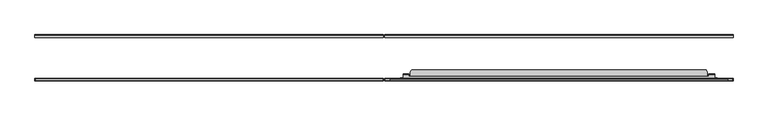
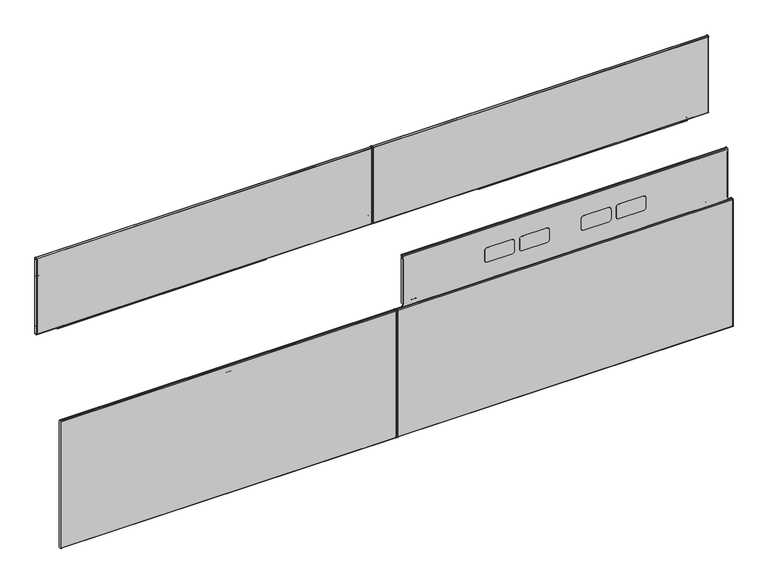
"""IFC4 building model written with IfcOpenShell, lengths in millimetres: furniture geometry."""

from ifc_helpers import new_model, si_unit, point, frame, frame_2d, origin, place, context, project, spatial, polyline, circle_curve, trimmed, segment, composite_curve, outline, extrude, source, transform, mapped, element, save
from ifc_brep_helpers import plane_surface, cylinder_surface, revolved_surface, advanced_brep


def furniture_ba3ade74(model_context):
    return source(origin(), model_context, "Body", "SolidModel", [
        extrude(outline(composite_curve([segment(polyline([(734.9612073, 1603.218702), (734.9612073, 2359.2539044), (745.1433918, 2359.2539044)]), True, "CONTINUOUS"), segment(trimmed(circle_curve(frame_2d((745.1433918, 2357.4360946)), 1.8178098), [point((745.1433918, 2359.2539044))], [point((746.9612016, 2357.4360946))], False, "CARTESIAN"), True, "CONTINUOUS"), segment(polyline([(746.9612016, 2357.4360946), (746.9612016, 1604.6508917)]), True, "CONTINUOUS"), segment(trimmed(circle_curve(frame_2d((745.5290119, 1604.6508917)), 1.4321897), [point((746.9612016, 1604.6508917))], [point((745.5290119, 1603.218702))], False, "CARTESIAN"), True, "CONTINUOUS"), segment(polyline([(745.5290119, 1603.218702), (734.9612073, 1603.218702)]), True, "CONTINUOUS")], self_intersect=False)), frame((0.0, -58.6781407, 0.0), z_axis=(0.0, 1.0, 0.0), x_axis=(0.0, 0.0, 1.0)), (0.0, 0.0, 1.0), 7.3431383),
        extrude(outline(composite_curve([segment(polyline([(825.6287108, 1232.2859018), (960.2347544, 1232.2859018)]), True, "CONTINUOUS"), segment(trimmed(circle_curve(frame_2d((960.2347544, 1230.0594545)), 2.2264474), [point((960.2347544, 1232.2859018))], [point((962.4612018, 1230.0594545))], False, "CARTESIAN"), True, "CONTINUOUS"), segment(polyline([(962.4612018, 1230.0594545), (962.4612018, 1221.2000233), (769.9612512, 1221.2000233), (769.9612512, 1230.5819869)]), True, "CONTINUOUS"), segment(trimmed(circle_curve(frame_2d((771.6651662, 1230.5819869)), 1.703915), [point((769.9612512, 1230.5819869))], [point((771.6651662, 1232.2859018))], False, "CARTESIAN"), True, "CONTINUOUS"), segment(polyline([(771.6651662, 1232.2859018), (775.0827409, 1232.2859018), (775.0827409, 1226.6968534), (825.6287108, 1226.6968534), (825.6287108, 1232.2859018)]), True, "CONTINUOUS")], self_intersect=False)), frame((0.0, -58.6781407, 0.0), z_axis=(0.0, 1.0, 0.0), x_axis=(0.0, 0.0, 1.0)), (0.0, 0.0, 1.0), 7.3431383),
        extrude(outline(composite_curve([segment(polyline([(825.6287108, 2425.3878843), (825.6287108, 2430.9768844), (775.0827409, 2430.976885), (775.0827409, 2425.3878843), (771.3508741, 2425.3878843)]), True, "CONTINUOUS"), segment(trimmed(circle_curve(frame_2d((771.3508741, 2426.7775072)), 1.3896229), [point((771.3508741, 2425.3878843))], [point((769.9612512, 2426.7775072))], False, "CARTESIAN"), True, "CONTINUOUS"), segment(polyline([(769.9612512, 2426.7775072), (769.9612512, 2436.4000044), (962.4612018, 2436.4000044), (962.4612018, 2426.9471973)]), True, "CONTINUOUS"), segment(trimmed(circle_curve(frame_2d((960.9018888, 2426.9471973)), 1.559313), [point((962.4612018, 2426.9471973))], [point((960.9018888, 2425.3878843))], False, "CARTESIAN"), True, "CONTINUOUS"), segment(polyline([(960.9018888, 2425.3878843), (825.6287108, 2425.3878843)]), True, "CONTINUOUS")], self_intersect=False)), frame((0.0, -58.6781407, 0.0), z_axis=(0.0, 1.0, 0.0), x_axis=(0.0, 0.0, 1.0)), (0.0, 0.0, 1.0), 7.3431383),
        extrude(outline(polyline([(1221.2000233, -51.3350025), (2436.4000044, -51.3350025), (2436.4000044, -60.8600025), (1221.2000233, -60.8600025), (1221.2000233, -51.3350025)])), frame((0.0, 0.0, 740.3599691), z_axis=(0.0, 0.0, 1.0), x_axis=(1.0, 0.0, 0.0)), (0.0, 0.0, 1.0), 0.9118629),
        extrude(outline(composite_curve([segment(trimmed(circle_curve(frame_2d((-53.4811786, 1029.2138314)), 1.2343177), [point((-52.2468609, 1029.2138314))], [point((-53.4811786, 1030.4481491))], True, "CARTESIAN"), True, "CONTINUOUS"), segment(polyline([(-53.4811786, 1030.4481491), (-60.8600025, 1030.4481491), (-60.8600025, 1031.3600121), (-53.3140334, 1031.3600121)]), True, "CONTINUOUS"), segment(trimmed(circle_curve(frame_2d((-53.3140334, 1029.3809811)), 1.9790309), [point((-53.3140334, 1031.3600121))], [point((-51.3350025, 1029.3809811))], False, "CARTESIAN"), True, "CONTINUOUS"), segment(polyline([(-51.3350025, 1029.3809811), (-51.3350025, 1023.3599916), (-52.2468609, 1023.3599916), (-52.2468609, 1029.2138314)]), True, "CONTINUOUS")], self_intersect=False)), frame((1221.2000233, 0.0, 0.0), z_axis=(1.0, 0.0, 0.0), x_axis=(0.0, 1.0, 0.0)), (0.0, 0.0, 1.0), 1215.1999811),
        extrude(outline(composite_curve([segment(polyline([(2436.4000044, -51.3350025), (2436.4000044, -58.637242)]), True, "CONTINUOUS"), segment(trimmed(circle_curve(frame_2d((2434.1772439, -58.637242)), 2.2227605), [point((2436.4000044, -58.637242))], [point((2434.1772439, -60.8600025))], False, "CARTESIAN"), True, "CONTINUOUS"), segment(polyline([(2434.1772439, -60.8600025), (1223.7400233, -60.8600025)]), True, "CONTINUOUS"), segment(trimmed(circle_curve(frame_2d((1223.7400233, -58.3200025)), 2.54), [point((1223.7400233, -60.8600025))], [point((1221.2000233, -58.3200025))], False, "CARTESIAN"), True, "CONTINUOUS"), segment(polyline([(1221.2000233, -58.3200025), (1221.2000233, -51.3350025), (1222.127504, -51.3350025), (1222.127504, -58.5359447)]), True, "CONTINUOUS"), segment(trimmed(circle_curve(frame_2d((1223.5396987, -58.5359447)), 1.4121948), [point((1222.127504, -58.5359447))], [point((1223.5396987, -59.9481395))], True, "CARTESIAN"), True, "CONTINUOUS"), segment(polyline([(1223.5396987, -59.9481395), (2434.3706627, -59.9481395)]), True, "CONTINUOUS"), segment(trimmed(circle_curve(frame_2d((2434.3706627, -58.8306579)), 1.1174816), [point((2434.3706627, -59.9481395))], [point((2435.4881443, -58.8306579))], True, "CARTESIAN"), True, "CONTINUOUS"), segment(polyline([(2435.4881443, -58.8306579), (2435.4881443, -51.3350025), (2436.4000044, -51.3350025)]), True, "CONTINUOUS")], self_intersect=False)), frame((0.0, 0.0, 740.3599691), z_axis=(0.0, 0.0, 1.0), x_axis=(1.0, 0.0, 0.0)), (0.0, 0.0, 1.0), 291.0000429),
        extrude(outline(composite_curve([segment(polyline([(734.9612073, 835.181298), (745.5290119, 835.181298)]), True, "CONTINUOUS"), segment(trimmed(circle_curve(frame_2d((745.5290119, 833.7491083)), 1.4321897), [point((745.5290119, 835.181298))], [point((746.9612016, 833.7491083))], False, "CARTESIAN"), True, "CONTINUOUS"), segment(polyline([(746.9612016, 833.7491083), (746.9612016, 80.9639054)]), True, "CONTINUOUS"), segment(trimmed(circle_curve(frame_2d((745.1433918, 80.9639054)), 1.8178098), [point((746.9612016, 80.9639054))], [point((745.1433918, 79.1460956))], False, "CARTESIAN"), True, "CONTINUOUS"), segment(polyline([(745.1433918, 79.1460956), (734.9612073, 79.1460956), (734.9612073, 835.181298)]), True, "CONTINUOUS")], self_intersect=False)), frame((0.0, -58.6781407, 0.0), z_axis=(0.0, 1.0, 0.0), x_axis=(0.0, 0.0, 1.0)), (0.0, 0.0, 1.0), 7.3431383),
        extrude(outline(composite_curve([segment(polyline([(825.6287108, 1206.1140982), (825.6287108, 1211.7031466), (775.0827409, 1211.7031466), (775.0827409, 1206.1140982), (771.6651662, 1206.1140982)]), True, "CONTINUOUS"), segment(trimmed(circle_curve(frame_2d((771.6651662, 1207.8180131)), 1.703915), [point((771.6651662, 1206.1140982))], [point((769.9612512, 1207.8180131))], False, "CARTESIAN"), True, "CONTINUOUS"), segment(polyline([(769.9612512, 1207.8180131), (769.9612512, 1217.1999767), (962.4612018, 1217.1999767), (962.4612018, 1208.3405455)]), True, "CONTINUOUS"), segment(trimmed(circle_curve(frame_2d((960.2347544, 1208.3405455)), 2.2264474), [point((962.4612018, 1208.3405455))], [point((960.2347544, 1206.1140982))], False, "CARTESIAN"), True, "CONTINUOUS"), segment(polyline([(960.2347544, 1206.1140982), (825.6287108, 1206.1140982)]), True, "CONTINUOUS")], self_intersect=False)), frame((0.0, -58.6781407, 0.0), z_axis=(0.0, 1.0, 0.0), x_axis=(0.0, 0.0, 1.0)), (0.0, 0.0, 1.0), 7.3431383),
        extrude(outline(composite_curve([segment(polyline([(825.6287108, 13.0121157), (960.9018888, 13.0121157)]), True, "CONTINUOUS"), segment(trimmed(circle_curve(frame_2d((960.9018888, 11.4528027)), 1.559313), [point((960.9018888, 13.0121157))], [point((962.4612018, 11.4528027))], False, "CARTESIAN"), True, "CONTINUOUS"), segment(polyline([(962.4612018, 11.4528027), (962.4612018, 1.9999956), (769.9612512, 1.9999956), (769.9612512, 11.6224928)]), True, "CONTINUOUS"), segment(trimmed(circle_curve(frame_2d((771.3508741, 11.6224928)), 1.3896229), [point((769.9612512, 11.6224928))], [point((771.3508741, 13.0121157))], False, "CARTESIAN"), True, "CONTINUOUS"), segment(polyline([(771.3508741, 13.0121157), (775.0827409, 13.0121157), (775.0827409, 7.423115), (825.6287108, 7.4231156), (825.6287108, 13.0121157)]), True, "CONTINUOUS")], self_intersect=False)), frame((0.0, -58.6781407, 0.0), z_axis=(0.0, 1.0, 0.0), x_axis=(0.0, 0.0, 1.0)), (0.0, 0.0, 1.0), 7.3431383),
        extrude(outline(polyline([(1217.1999767, -51.3350025), (1217.1999767, -60.8600025), (1.9999956, -60.8600025), (1.9999956, -51.3350025), (1217.1999767, -51.3350025)])), frame((0.0, 0.0, 740.3599691), z_axis=(0.0, 0.0, 1.0), x_axis=(1.0, 0.0, 0.0)), (0.0, 0.0, 1.0), 0.9118629),
        extrude(outline(composite_curve([segment(trimmed(circle_curve(frame_2d((-53.4811786, 1029.2138314)), 1.2343177), [point((-52.2468609, 1029.2138314))], [point((-53.4811786, 1030.4481491))], True, "CARTESIAN"), True, "CONTINUOUS"), segment(polyline([(-53.4811786, 1030.4481491), (-60.8600025, 1030.4481491), (-60.8600025, 1031.3600121), (-53.3140334, 1031.3600121)]), True, "CONTINUOUS"), segment(trimmed(circle_curve(frame_2d((-53.3140334, 1029.3809811)), 1.9790309), [point((-53.3140334, 1031.3600121))], [point((-51.3350025, 1029.3809811))], False, "CARTESIAN"), True, "CONTINUOUS"), segment(polyline([(-51.3350025, 1029.3809811), (-51.3350025, 1023.3599916), (-52.2468609, 1023.3599916), (-52.2468609, 1029.2138314)]), True, "CONTINUOUS")], self_intersect=False)), frame((1.9999956, 0.0, 0.0), z_axis=(1.0, 0.0, 0.0), x_axis=(0.0, 1.0, 0.0)), (0.0, 0.0, 1.0), 1215.1999811),
        extrude(outline(composite_curve([segment(polyline([(1.9999956, -51.3350025), (2.9118557, -51.3350025), (2.9118557, -58.8306579)]), True, "CONTINUOUS"), segment(trimmed(circle_curve(frame_2d((4.0293373, -58.8306579)), 1.1174816), [point((2.9118557, -58.8306579))], [point((4.0293373, -59.9481395))], True, "CARTESIAN"), True, "CONTINUOUS"), segment(polyline([(4.0293373, -59.9481395), (1214.8603013, -59.9481395)]), True, "CONTINUOUS"), segment(trimmed(circle_curve(frame_2d((1214.8603013, -58.5359447)), 1.4121948), [point((1214.8603013, -59.9481395))], [point((1216.272496, -58.5359447))], True, "CARTESIAN"), True, "CONTINUOUS"), segment(polyline([(1216.272496, -58.5359447), (1216.272496, -51.3350025), (1217.1999767, -51.3350025), (1217.1999767, -58.3200025)]), True, "CONTINUOUS"), segment(trimmed(circle_curve(frame_2d((1214.6599767, -58.3200025)), 2.54), [point((1217.1999767, -58.3200025))], [point((1214.6599767, -60.8600025))], False, "CARTESIAN"), True, "CONTINUOUS"), segment(polyline([(1214.6599767, -60.8600025), (4.2227561, -60.8600025)]), True, "CONTINUOUS"), segment(trimmed(circle_curve(frame_2d((4.2227561, -58.637242)), 2.2227605), [point((4.2227561, -60.8600025))], [point((1.9999956, -58.637242))], False, "CARTESIAN"), True, "CONTINUOUS"), segment(polyline([(1.9999956, -58.637242), (1.9999956, -51.3350025)]), True, "CONTINUOUS")], self_intersect=False)), frame((0.0, 0.0, 740.3599691), z_axis=(0.0, 0.0, 1.0), x_axis=(1.0, 0.0, 0.0)), (0.0, 0.0, 1.0), 291.0000429),
        extrude(outline(polyline([(1847.6214166, -206.4751401), (1841.7540058, -206.4751401), (1840.9919884, -206.6793172), (1840.4341736, -207.2371399), (1840.2300073, -207.9991398), (1840.2300073, -209.3239397), (1839.8250538, -210.8352397), (1838.7186896, -211.9415885), (1837.2074083, -212.3465398), (1820.4082399, -212.3465398), (1818.8969586, -211.9415885), (1817.7905945, -210.8352397), (1817.385641, -209.3239397), (1817.385641, -207.9991398), (1817.1814747, -207.2371399), (1816.6236599, -206.6793172), (1815.8616425, -206.4751401), (1809.9942317, -206.4751401), (1809.9942317, -204.97654), (1815.8616425, -204.97654), (1817.3729601, -205.3814916), (1818.4792879, -206.48784), (1818.8842414, -207.9991398), (1818.8842414, -209.3239397), (1819.0884077, -210.0859401), (1819.6462588, -210.6437628), (1820.4082399, -210.8479399), (1837.2074083, -210.8479399), (1837.9693894, -210.6437628), (1838.5272406, -210.0859401), (1838.7314069, -209.3239397), (1838.7314069, -207.9991398), (1839.1363604, -206.48784), (1840.2426882, -205.3814916), (1841.7540058, -204.97654), (1847.6214166, -204.97654), (1847.6214166, -206.4751401)])), frame((0.0, 0.0, 13.511849), z_axis=(0.0, 0.0, 1.0), x_axis=(1.0, 0.0, 0.0)), (0.0, 0.0, 1.0), 465.0000042),
        extrude(outline(composite_curve([segment(polyline([(-206.0205708, 12.9809891), (-213.2583999, 12.9809891), (-213.2583999, 500.6190067), (-205.8612792, 500.6190067)]), True, "CONTINUOUS"), segment(trimmed(circle_curve(frame_2d((-205.8612792, 498.4911276)), 2.1278792), [point((-205.8612792, 500.6190067))], [point((-203.7334, 498.4911276))], False, "CARTESIAN"), True, "CONTINUOUS"), segment(polyline([(-203.7334, 498.4911276), (-203.7334, 15.2681599)]), True, "CONTINUOUS"), segment(trimmed(circle_curve(frame_2d((-206.0205708, 15.2681599)), 2.2871708), [point((-203.7334, 15.2681599))], [point((-206.0205708, 12.9809891))], False, "CARTESIAN"), True, "CONTINUOUS")], self_intersect=False)), frame((1221.2000233, 0.0, 0.0), z_axis=(1.0, 0.0, 0.0), x_axis=(0.0, 1.0, 0.0)), (0.0, 0.0, 1.0), 0.9274807),
        extrude(outline(composite_curve([segment(polyline([(-206.0205708, 12.9809891), (-213.2583999, 12.9809891), (-213.2583999, 500.6190067), (-205.8612792, 500.6190067)]), True, "CONTINUOUS"), segment(trimmed(circle_curve(frame_2d((-205.8612792, 498.4911276)), 2.1278792), [point((-205.8612792, 500.6190067))], [point((-203.7334, 498.4911276))], False, "CARTESIAN"), True, "CONTINUOUS"), segment(polyline([(-203.7334, 498.4911276), (-203.7334, 15.2681599)]), True, "CONTINUOUS"), segment(trimmed(circle_curve(frame_2d((-206.0205708, 15.2681599)), 2.2871708), [point((-203.7334, 15.2681599))], [point((-206.0205708, 12.9809891))], False, "CARTESIAN"), True, "CONTINUOUS")], self_intersect=False)), frame((2435.4881443, 0.0, 0.0), z_axis=(1.0, 0.0, 0.0), x_axis=(0.0, 1.0, 0.0)), (0.0, 0.0, 1.0), 0.9118601),
        extrude(outline(polyline([(76.8619872, 1222.127504), (76.8619872, 1234.249019), (156.5539797, 1234.249019), (156.5539797, 1228.6600188), (207.099986, 1228.6600188), (207.099986, 1234.249019), (437.5000033, 1234.249019), (437.5000033, 1222.127504), (76.8619872, 1222.127504)])), frame((0.0, -204.82433, 0.0), z_axis=(0.0, 1.0, 0.0), x_axis=(0.0, 0.0, 1.0)), (0.0, 0.0, 1.0), 0.7986162),
        extrude(outline(polyline([(76.8619872, 2435.4881443), (437.5000033, 2435.4881443), (437.5000033, 2425.3510043), (207.099986, 2425.3510043), (207.099986, 2430.9400044), (156.5539797, 2430.9400044), (156.5539797, 2425.3510043), (76.8619872, 2425.3510043), (76.8619872, 2435.4881443)])), frame((0.0, -204.82433, 0.0), z_axis=(0.0, 1.0, 0.0), x_axis=(0.0, 0.0, 1.0)), (0.0, 0.0, 1.0), 0.7986162),
        extrude(outline(composite_curve([segment(trimmed(circle_curve(frame_2d((-206.0131195, 498.7202595)), 2.2797196), [point((-206.0131195, 500.9999791))], [point((-203.7334, 498.7202595))], False, "CARTESIAN"), True, "CONTINUOUS"), segment(polyline([(-203.7334, 498.7202595), (-203.7334, 486.0902061), (-204.64526, 486.0902061), (-204.64526, 498.7756083)]), True, "CONTINUOUS"), segment(trimmed(circle_curve(frame_2d((-205.9577679, 498.7756083)), 1.3125079), [point((-204.64526, 498.7756083))], [point((-205.9577679, 500.0881162))], True, "CARTESIAN"), True, "CONTINUOUS"), segment(polyline([(-205.9577679, 500.0881162), (-211.0778208, 500.0881162)]), True, "CONTINUOUS"), segment(trimmed(circle_curve(frame_2d((-211.0778208, 498.8193972)), 1.2687189), [point((-211.0778208, 500.0881162))], [point((-212.3465398, 498.8193972))], True, "CARTESIAN"), True, "CONTINUOUS"), segment(polyline([(-212.3465398, 498.8193972), (-212.3465398, 14.9389212)]), True, "CONTINUOUS"), segment(trimmed(circle_curve(frame_2d((-210.9194675, 14.9389212)), 1.4270722), [point((-212.3465398, 14.9389212))], [point((-210.9194675, 13.511849))], True, "CARTESIAN"), True, "CONTINUOUS"), segment(polyline([(-210.9194675, 13.511849), (-205.9776146, 13.511849)]), True, "CONTINUOUS"), segment(trimmed(circle_curve(frame_2d((-205.9776146, 14.8442036)), 1.3323546), [point((-205.9776146, 13.511849))], [point((-204.64526, 14.8442036))], True, "CARTESIAN"), True, "CONTINUOUS"), segment(polyline([(-204.64526, 14.8442036), (-204.64526, 24.5989482), (-203.7334, 24.5989482), (-203.7334, 14.8055187)]), True, "CONTINUOUS"), segment(trimmed(circle_curve(frame_2d((-205.9389292, 14.8055187)), 2.2055292), [point((-203.7334, 14.8055187))], [point((-205.9389292, 12.5999894))], False, "CARTESIAN"), True, "CONTINUOUS"), segment(polyline([(-205.9389292, 12.5999894), (-211.149738, 12.5999894)]), True, "CONTINUOUS"), segment(trimmed(circle_curve(frame_2d((-211.149738, 14.7086513)), 2.1086618), [point((-211.149738, 12.5999894))], [point((-213.2583999, 14.7086513))], False, "CARTESIAN"), True, "CONTINUOUS"), segment(polyline([(-213.2583999, 14.7086513), (-213.2583999, 498.8134963)]), True, "CONTINUOUS"), segment(trimmed(circle_curve(frame_2d((-211.0719171, 498.8134963)), 2.1864828), [point((-213.2583999, 498.8134963))], [point((-211.0719171, 500.9999791))], False, "CARTESIAN"), True, "CONTINUOUS"), segment(polyline([(-211.0719171, 500.9999791), (-206.0131195, 500.9999791)]), True, "CONTINUOUS")], self_intersect=False)), frame((1222.127504, 0.0, 0.0), z_axis=(1.0, 0.0, 0.0), x_axis=(0.0, 1.0, 0.0)), (0.0, 0.0, 1.0), 1213.3606403),
        advanced_brep(
        [(1285.5614149, -189.0734003, 484.7619804), (1285.5614149, -189.0734003, 502.380488), (1285.5614149, -190.6453154, 503.9524031), (1285.5614149, -205.2802599, 503.9524031), (1285.5614149, -205.2802599, 504.7619951), (1285.5614149, -190.2544323, 504.7619951), (1285.5614149, -188.2141807, 502.7217435), (1285.5614149, -188.2141807, 484.7619804), (2372.0385987, -189.0734003, 484.7619804), (2372.0385987, -188.2141807, 484.7619804), (2372.0385987, -188.2141807, 502.7217435), (2372.0385987, -190.2544323, 504.7619951), (2372.0385987, -205.2802599, 504.7619951), (2372.0385987, -205.2802599, 503.9524031), (2372.0385987, -190.6453154, 503.9524031), (2372.0385987, -189.0734003, 502.380488), (2352.0385977, -189.0734003, 484.7619804), (2352.0385977, -188.2141807, 484.7619804), (1305.5614296, -188.2141807, 484.7619804), (1305.5614296, -189.0734003, 484.7619804), (2352.0385977, -188.2141807, 502.7217435), (1305.5614296, -188.2141807, 502.7217435), (2352.0385977, -190.2544323, 504.7619951), (1305.5614296, -190.2544323, 504.7619951), (2352.0385977, -196.3134, 504.7619951), (1305.5614296, -196.3134, 504.7619951), (1305.5614296, -190.6453154, 503.9524031), (1305.5614296, -196.3134, 503.9524031), (2352.0385977, -196.3134, 503.9524031), (2352.0385977, -190.6453154, 503.9524031), (2352.0385977, -189.0734003, 502.380488), (1305.5614296, -189.0734003, 502.380488)],
        [
            (0, 1),
            (1, 2, circle_curve(frame((1285.5614149, -190.6453154, 502.380488), z_axis=(1.0, 0.0, 0.0), x_axis=(0.0, 1.0, 0.0)), 1.571915)),
            (2, 3),
            (3, 4),
            (4, 5),
            (5, 6, circle_curve(frame((1285.5614149, -190.2544323, 502.7217435), z_axis=(-1.0, 0.0, 0.0), x_axis=(0.0, 1.0, 0.0)), 2.0402516)),
            (6, 7),
            (7, 0),
            (8, 9),
            (9, 10),
            (10, 11, circle_curve(frame((2372.0385987, -190.2544323, 502.7217435), z_axis=(1.0, 0.0, 0.0), x_axis=(0.0, 1.0, 0.0)), 2.0402516)),
            (11, 12),
            (12, 13),
            (13, 14),
            (14, 15, circle_curve(frame((2372.0385987, -190.6453154, 502.380488), z_axis=(-1.0, 0.0, 0.0), x_axis=(0.0, 1.0, 0.0)), 1.571915)),
            (15, 8),
            (8, 16),
            (16, 17),
            (17, 9),
            (7, 18),
            (18, 19),
            (19, 0),
            (17, 20),
            (20, 10),
            (6, 21),
            (21, 18),
            (20, 22, circle_curve(frame((2352.0385977, -190.2544323, 502.7217435), z_axis=(1.0, 0.0, 0.0), x_axis=(0.0, 1.0, 0.0)), 2.0402516)),
            (22, 11),
            (5, 23),
            (23, 21, circle_curve(frame((1305.5614296, -190.2544323, 502.7217435), z_axis=(-1.0, 0.0, 0.0), x_axis=(0.0, 1.0, 0.0)), 2.0402516)),
            (4, 12),
            (22, 24),
            (24, 25),
            (25, 23),
            (3, 13),
            (2, 26),
            (26, 27),
            (27, 28),
            (28, 29),
            (29, 14),
            (29, 30, circle_curve(frame((2352.0385977, -190.6453154, 502.380488), z_axis=(-1.0, 0.0, 0.0), x_axis=(0.0, 1.0, 0.0)), 1.571915)),
            (30, 15),
            (1, 31),
            (31, 26, circle_curve(frame((1305.5614296, -190.6453154, 502.380488), z_axis=(1.0, 0.0, 0.0), x_axis=(0.0, 1.0, 0.0)), 1.571915)),
            (19, 31),
            (30, 16),
            (27, 25),
            (24, 28),
        ],
        [
            plane_surface(frame((1285.5614149, -189.0734003, 484.7619804), z_axis=(-1.0, 0.0, 0.0), x_axis=(0.0, 1.0, 0.0))),
            plane_surface(frame((2372.0385987, -189.0734003, 484.7619804), z_axis=(1.0, 0.0, 0.0), x_axis=(0.0, -1.0, 0.0))),
            plane_surface(frame((1285.5614149, -189.0734003, 484.7619804), z_axis=(0.0, 0.0, -1.0), x_axis=(1.0, 0.0, 0.0))),
            plane_surface(frame((1285.5614149, -188.2141807, 484.7619804), z_axis=(0.0, 1.0, 0.0), x_axis=(1.0, 0.0, 0.0))),
            cylinder_surface(frame((2372.0385987, -190.2544323, 502.7217435), z_axis=(-1.0, 0.0, 0.0), x_axis=(0.0, 1.0, 0.0)), 2.0402516),
            plane_surface(frame((1285.5614149, -190.2544323, 504.7619951), z_axis=(0.0, 0.0, 1.0), x_axis=(1.0, 0.0, 0.0))),
            plane_surface(frame((1285.5614149, -205.2802599, 504.7619951), z_axis=(0.0, -1.0, 0.0), x_axis=(1.0, 0.0, 0.0))),
            plane_surface(frame((1285.5614149, -205.2802599, 503.9524031), z_axis=(0.0, 0.0, -1.0), x_axis=(1.0, 0.0, 0.0))),
            revolved_surface(polyline([(2372.0385987, -189.0734004, 502.380488), (2352.0385977, -189.0734004, 502.380488)]), (2372.0385987, -190.6453154, 502.380488), (1.0, 0.0, 0.0)),
            revolved_surface(polyline([(1305.5614296, -189.0734004, 502.380488), (1285.5614149, -189.0734004, 502.380488)]), (2372.0385987, -190.6453154, 502.380488), (1.0, 0.0, 0.0)),
            plane_surface(frame((1285.5614149, -189.0734003, 502.380488), z_axis=(0.0, -1.0, 0.0), x_axis=(1.0, 0.0, 0.0))),
            plane_surface(frame((2352.0385977, -196.3134, 504.7619951), z_axis=(0.0, 1.0, 0.0), x_axis=(0.0, 0.0, -1.0))),
            plane_surface(frame((1305.5614296, -196.3134, 504.7619951), z_axis=(1.0, 0.0, 0.0), x_axis=(0.0, 0.0, -1.0))),
            plane_surface(frame((2352.0385977, -188.2141807, 504.7619951), z_axis=(-1.0, 0.0, 0.0), x_axis=(0.0, 0.0, -1.0))),
        ],
        [
            (0, [[1, 2, 3, 4, 5, 6, 7, 8]]),
            (1, [[9, 10, 11, 12, 13, 14, 15, 16]]),
            (2, [[17, 18, 19, -9]]),
            (2, [[20, 21, 22, -8]]),
            (3, [[-19, 23, 24, -10]]),
            (3, [[25, 26, -20, -7]]),
            (4, [[-24, 27, 28, -11]]),
            (4, [[29, 30, -25, -6]]),
            (5, [[31, -12, -28, 32, 33, 34, -29, -5]]),
            (6, [[35, -13, -31, -4]]),
            (7, [[36, 37, 38, 39, 40, -14, -35, -3]]),
            (8, [[-40, 41, 42, -15]]),
            (9, [[43, 44, -36, -2]]),
            (10, [[-22, 45, -43, -1]]),
            (10, [[-42, 46, -17, -16]]),
            (11, [[-38, 47, -33, 48]]),
            (12, [[-37, -44, -45, -21, -26, -30, -34, -47]]),
            (13, [[-32, -27, -23, -18, -46, -41, -39, -48]]),
        ],
    ),
        advanced_brep(
        [(1276.411392, -202.8234, 481.0000008), (1276.411392, -203.7334, 481.0000008), (1276.411392, -203.7334, 499.164291), (1276.411392, -202.3166887, 500.9515261), (1276.411392, -202.3166887, 500.0149173), (1276.411392, -202.8234, 499.2323507), (2381.2000031, -203.7334, 481.0000008), (2381.2000031, -203.20254, 481.0000008), (2381.2000031, -203.20254, 500.4554821), (2381.2000031, -203.7334, 499.164291), (2372.0385987, -202.8234, 499.2323507), (2372.0385987, -202.8234, 481.0000008), (1287.5614154, -202.3166887, 500.0149173), (1287.5614154, -201.9657451, 500.0900056), (2372.0385987, -201.9657451, 500.0900056), (2346.1886005, -181.7333994, 500.0900056), (2346.1886005, -196.3134, 500.0900056), (2372.0385987, -196.3134, 500.0900056), (1287.5614154, -196.3134, 500.0900056), (1311.32782, -196.3134, 500.0900056), (1311.32782, -181.7333994, 500.0900056), (1312.3996205, -177.7334005, 500.0900056), (1315.3278211, -174.8051976, 500.0900056), (1319.3278222, -173.7333994, 500.0900056), (2338.1885982, -173.7333994, 500.0900056), (2342.1885994, -174.8051976, 500.0900056), (2345.1168, -177.7334005, 500.0900056), (1319.3278222, -173.7333994, 500.9999791), (2338.1885982, -173.7333994, 500.9999791), (2345.1168, -177.7334005, 500.9999791), (2342.1885994, -174.8051976, 500.9999791), (1315.3278211, -174.8051976, 500.9999791), (1312.3996205, -177.7334005, 500.9999791), (1311.32782, -181.7333994, 500.9999791), (1311.32782, -196.3134, 500.9999791), (1287.5614154, -196.3134, 500.9999791), (1287.5614154, -201.8977118, 500.9999791), (2372.0385987, -201.8977118, 500.9999791), (2372.0385987, -196.3134, 500.9999791), (2346.1886005, -196.3134, 500.9999791), (2346.1886005, -181.7333994, 500.9999791), (2372.0385987, -203.20254, 500.4554821), (1287.5614154, -202.3166887, 500.9515261), (2372.0385987, -203.20254, 481.0000008)],
        [
            (0, 1),
            (1, 2),
            (2, 3, circle_curve(frame((1276.411392, -201.8977118, 499.164291), z_axis=(-1.0, 0.0, 0.0), x_axis=(0.0, 1.0, 0.0)), 1.8356882)),
            (3, 4),
            (4, 5, circle_curve(frame((1276.411392, -201.9657451, 499.2323507), z_axis=(1.0, 0.0, 0.0), x_axis=(0.0, 1.0, 0.0)), 0.8576549)),
            (5, 0),
            (6, 7),
            (7, 8),
            (8, 9, circle_curve(frame((2381.2000031, -201.8977118, 499.164291), z_axis=(1.0, 0.0, 0.0), x_axis=(0.0, 1.0, 0.0)), 1.8356882)),
            (9, 6),
            (5, 10),
            (10, 11),
            (11, 0),
            (4, 12),
            (12, 13, circle_curve(frame((1287.5614154, -201.9657451, 499.2323507), z_axis=(-1.0, 0.0, 0.0), x_axis=(0.0, 1.0, 0.0)), 0.8576549)),
            (13, 14),
            (14, 10, circle_curve(frame((2372.0385987, -201.9657451, 499.2323507), z_axis=(1.0, 0.0, 0.0), x_axis=(0.0, 1.0, 0.0)), 0.8576549)),
            (15, 16),
            (16, 17),
            (17, 14),
            (13, 18),
            (18, 19),
            (19, 20),
            (20, 21),
            (21, 22),
            (22, 23),
            (23, 24),
            (24, 25),
            (25, 26),
            (26, 15),
            (23, 27),
            (27, 28),
            (28, 24),
            (29, 30),
            (30, 28),
            (27, 31),
            (31, 32),
            (32, 33),
            (33, 34),
            (34, 35),
            (35, 36),
            (36, 37),
            (37, 38),
            (38, 39),
            (39, 40),
            (40, 29),
            (8, 41),
            (41, 37, circle_curve(frame((2372.0385987, -201.8977118, 499.164291), z_axis=(-1.0, 0.0, 0.0), x_axis=(0.0, 1.0, 0.0)), 1.8356882)),
            (36, 42, circle_curve(frame((1287.5614154, -201.8977118, 499.164291), z_axis=(1.0, 0.0, 0.0), x_axis=(0.0, 1.0, 0.0)), 1.8356882)),
            (42, 3),
            (2, 9),
            (1, 6),
            (11, 43),
            (43, 7),
            (26, 29),
            (40, 15),
            (25, 30),
            (43, 41),
            (17, 38),
            (16, 39),
            (20, 33),
            (32, 21),
            (31, 22),
            (42, 12),
            (35, 18),
            (34, 19),
        ],
        [
            plane_surface(frame((1276.411392, -202.8234, 494.4355179), z_axis=(-1.0, 0.0, 0.0), x_axis=(0.0, 0.0, 1.0))),
            plane_surface(frame((2381.2000031, -202.8234, 494.4355179), z_axis=(1.0, 0.0, 0.0), x_axis=(0.0, 0.0, -1.0))),
            plane_surface(frame((1276.411392, -202.8234, 481.0000008), z_axis=(0.0, 1.0, 0.0), x_axis=(1.0, 0.0, 0.0))),
            revolved_surface(polyline([(2372.0385987, -201.1080902, 499.2323507), (1276.411392, -201.1080902, 499.2323507)]), (2381.2000031, -201.9657451, 499.2323507), (1.0, 0.0, 0.0)),
            plane_surface(frame((1276.411392, -201.9657451, 500.0900056), z_axis=(0.0, 0.0, -1.0), x_axis=(1.0, 0.0, 0.0))),
            plane_surface(frame((1276.411392, -173.7333994, 500.0900056), z_axis=(0.0, 1.0, 0.0), x_axis=(1.0, 0.0, 0.0))),
            plane_surface(frame((1276.411392, -173.7333994, 500.9999791), z_axis=(0.0, 0.0, 1.0), x_axis=(1.0, 0.0, 0.0))),
            cylinder_surface(frame((2381.2000031, -201.8977118, 499.164291), z_axis=(-1.0, 0.0, 0.0), x_axis=(0.0, 1.0, 0.0)), 1.8356882),
            plane_surface(frame((1276.411392, -203.7334, 499.164291), z_axis=(0.0, -1.0, 0.0), x_axis=(1.0, 0.0, 0.0))),
            plane_surface(frame((1276.411392, -203.7334, 481.0000008), z_axis=(0.0, 0.0, -1.0), x_axis=(1.0, 0.0, 0.0))),
            plane_surface(frame((2346.1886005, -181.7333994, 533.1392388), z_axis=(0.9659255828324517, 0.2588199536932742, 0.0), x_axis=(0.0, 0.0, -1.0))),
            plane_surface(frame((2345.1168, -177.7334005, 533.1392388), z_axis=(0.707107055381215, 0.7071065069917737, 0.0), x_axis=(0.0, 0.0, -1.0))),
            plane_surface(frame((2342.1885994, -174.8051976, 533.1392388), z_axis=(0.25881930494190625, 0.9659257566652774, 0.0), x_axis=(0.0, 0.0, -1.0))),
            plane_surface(frame((2381.1885989, -203.20254, 533.1392388), z_axis=(0.0, 1.0, 0.0), x_axis=(0.0, 0.0, -1.0))),
            plane_surface(frame((2372.0385987, -203.20254, 533.1392388), z_axis=(1.0, 0.0, 0.0), x_axis=(0.0, 0.0, -1.0))),
            plane_surface(frame((2372.0385987, -196.3134, 533.1392388), z_axis=(0.0, 1.0, 0.0), x_axis=(0.0, 0.0, -1.0))),
            plane_surface(frame((2346.1886005, -196.3134, 533.1392388), z_axis=(1.0, 0.0, 0.0), x_axis=(0.0, 0.0, -1.0))),
            plane_surface(frame((1312.3996205, -177.7334005, 531.699196), z_axis=(-0.9659255828324518, 0.258819953693274, 0.0), x_axis=(0.0, 0.0, -1.0))),
            plane_surface(frame((1315.3278211, -174.8051976, 531.699196), z_axis=(-0.707107055381215, 0.7071065069917737, 0.0), x_axis=(0.0, 0.0, -1.0))),
            plane_surface(frame((1319.3278222, -173.7333994, 531.699196), z_axis=(-0.25881930494190625, 0.9659257566652774, 0.0), x_axis=(0.0, 0.0, -1.0))),
            plane_surface(frame((1287.5614154, -202.3166887, 531.699196), z_axis=(0.0, 1.0, 0.0), x_axis=(0.0, 0.0, -1.0))),
            plane_surface(frame((1287.5614154, -196.3134, 531.699196), z_axis=(-1.0, 0.0, 0.0), x_axis=(0.0, 0.0, -1.0))),
            plane_surface(frame((1311.32782, -196.3134, 531.699196), z_axis=(0.0, 1.0, 0.0), x_axis=(0.0, 0.0, -1.0))),
            plane_surface(frame((1311.32782, -181.7333994, 531.699196), z_axis=(-1.0, 0.0, 0.0), x_axis=(0.0, 0.0, -1.0))),
        ],
        [
            (0, [[1, 2, 3, 4, 5, 6]]),
            (1, [[7, 8, 9, 10]]),
            (2, [[11, 12, 13, -6]]),
            (3, [[-5, 14, 15, 16, 17, -11]]),
            (4, [[18, 19, 20, -16, 21, 22, 23, 24, 25, 26, 27, 28, 29, 30]]),
            (5, [[-27, 31, 32, 33]]),
            (6, [[34, 35, -32, 36, 37, 38, 39, 40, 41, 42, 43, 44, 45, 46]]),
            (7, [[-9, 47, 48, -42, 49, 50, -3, 51]]),
            (8, [[52, -10, -51, -2]]),
            (9, [[-13, 53, 54, -7, -52, -1]]),
            (10, [[-30, 55, -46, 56]]),
            (11, [[-29, 57, -34, -55]]),
            (12, [[-28, -33, -35, -57]]),
            (13, [[-47, -8, -54, 58]]),
            (14, [[-53, -12, -17, -20, 59, -43, -48, -58]]),
            (15, [[-19, 60, -44, -59]]),
            (16, [[-45, -60, -18, -56]]),
            (17, [[-24, 61, -38, 62]]),
            (18, [[-37, 63, -25, -62]]),
            (19, [[-36, -31, -26, -63]]),
            (20, [[-14, -4, -50, 64]]),
            (21, [[-49, -41, 65, -21, -15, -64]]),
            (22, [[-40, 66, -22, -65]]),
            (23, [[-39, -61, -23, -66]]),
        ],
    ),
        extrude(outline(composite_curve([segment(trimmed(circle_curve(frame_2d((616.0389877, 2110.6543456)), 9.9868524), [point((616.0389877, 2120.641198))], [point((626.0258401, 2110.6543456))], False, "CARTESIAN"), True, "CONTINUOUS"), segment(polyline([(626.0258401, 2110.6543456), (626.0258401, 2021.9967238)]), True, "CONTINUOUS"), segment(trimmed(circle_curve(frame_2d((616.7203082, 2021.9967238)), 9.3055319), [point((626.0258401, 2021.9967238))], [point((616.7203082, 2012.6911919))], False, "CARTESIAN"), True, "CONTINUOUS"), segment(polyline([(616.7203082, 2012.6911919), (580.9036446, 2012.6911919)]), True, "CONTINUOUS"), segment(trimmed(circle_curve(frame_2d((580.9036446, 2022.4330062)), 9.7418143), [point((580.9036446, 2012.6911919))], [point((571.1618302, 2022.4330062))], False, "CARTESIAN"), True, "CONTINUOUS"), segment(polyline([(571.1618302, 2022.4330062), (571.1618302, 2111.105977)]), True, "CONTINUOUS"), segment(trimmed(circle_curve(frame_2d((580.6970512, 2111.105977)), 9.535221), [point((571.1618302, 2111.105977))], [point((580.6970512, 2120.641198))], False, "CARTESIAN"), True, "CONTINUOUS"), segment(polyline([(580.6970512, 2120.641198), (616.0389877, 2120.641198)]), True, "CONTINUOUS")], self_intersect=False)), frame((0.0, -213.6020823, 0.0), z_axis=(0.0, 1.0, 0.0), x_axis=(0.0, 0.0, 1.0)), (0.0, 0.0, 1.0), 0.2886826),
        extrude(outline(composite_curve([segment(trimmed(circle_curve(frame_2d((616.0389877, 1984.3655425)), 9.9868524), [point((616.0389877, 1994.3523949))], [point((626.0258401, 1984.3655425))], False, "CARTESIAN"), True, "CONTINUOUS"), segment(polyline([(626.0258401, 1984.3655425), (626.0258401, 1895.7079389)]), True, "CONTINUOUS"), segment(trimmed(circle_curve(frame_2d((616.7203082, 1895.7079389)), 9.3055319), [point((626.0258401, 1895.7079389))], [point((616.7203082, 1886.402407))], False, "CARTESIAN"), True, "CONTINUOUS"), segment(polyline([(616.7203082, 1886.402407), (580.9036446, 1886.402407)]), True, "CONTINUOUS"), segment(trimmed(circle_curve(frame_2d((580.9036446, 1896.1442213)), 9.7418143), [point((580.9036446, 1886.402407))], [point((571.1618302, 1896.1442213))], False, "CARTESIAN"), True, "CONTINUOUS"), segment(polyline([(571.1618302, 1896.1442213), (571.1618302, 1984.8171739)]), True, "CONTINUOUS"), segment(trimmed(circle_curve(frame_2d((580.6970512, 1984.8171739)), 9.535221), [point((571.1618302, 1984.8171739))], [point((580.6970512, 1994.3523949))], False, "CARTESIAN"), True, "CONTINUOUS"), segment(polyline([(580.6970512, 1994.3523949), (616.0389877, 1994.3523949)]), True, "CONTINUOUS")], self_intersect=False)), frame((0.0, -213.6020823, 0.0), z_axis=(0.0, 1.0, 0.0), x_axis=(0.0, 0.0, 1.0)), (0.0, 0.0, 1.0), 0.2886826),
        extrude(outline(composite_curve([segment(trimmed(circle_curve(frame_2d((616.0389877, 1761.0279514)), 9.9868524), [point((616.0389877, 1771.0148038))], [point((626.0258401, 1761.0279514))], False, "CARTESIAN"), True, "CONTINUOUS"), segment(polyline([(626.0258401, 1761.0279514), (626.0258401, 1672.3703478)]), True, "CONTINUOUS"), segment(trimmed(circle_curve(frame_2d((616.7203082, 1672.3703478)), 9.3055319), [point((626.0258401, 1672.3703478))], [point((616.7203082, 1663.0648159))], False, "CARTESIAN"), True, "CONTINUOUS"), segment(polyline([(616.7203082, 1663.0648159), (580.9036446, 1663.0648159)]), True, "CONTINUOUS"), segment(trimmed(circle_curve(frame_2d((580.9036446, 1672.8066302)), 9.7418143), [point((580.9036446, 1663.0648159))], [point((571.1618302, 1672.8066302))], False, "CARTESIAN"), True, "CONTINUOUS"), segment(polyline([(571.1618302, 1672.8066302), (571.1618302, 1761.4795828)]), True, "CONTINUOUS"), segment(trimmed(circle_curve(frame_2d((580.6970512, 1761.4795828)), 9.535221), [point((571.1618302, 1761.4795828))], [point((580.6970512, 1771.0148038))], False, "CARTESIAN"), True, "CONTINUOUS"), segment(polyline([(580.6970512, 1771.0148038), (616.0389877, 1771.0148038)]), True, "CONTINUOUS")], self_intersect=False)), frame((0.0, -213.6020823, 0.0), z_axis=(0.0, 1.0, 0.0), x_axis=(0.0, 0.0, 1.0)), (0.0, 0.0, 1.0), 0.2886826),
        extrude(outline(composite_curve([segment(trimmed(circle_curve(frame_2d((616.0389877, 1634.7391665)), 9.9868524), [point((616.0389877, 1644.7260189))], [point((626.0258401, 1634.7391665))], False, "CARTESIAN"), True, "CONTINUOUS"), segment(polyline([(626.0258401, 1634.7391665), (626.0258401, 1546.0815447)]), True, "CONTINUOUS"), segment(trimmed(circle_curve(frame_2d((616.7203082, 1546.0815447)), 9.3055319), [point((626.0258401, 1546.0815447))], [point((616.7203082, 1536.7760128))], False, "CARTESIAN"), True, "CONTINUOUS"), segment(polyline([(616.7203082, 1536.7760128), (580.9036446, 1536.7760128)]), True, "CONTINUOUS"), segment(trimmed(circle_curve(frame_2d((580.9036446, 1546.5178271)), 9.7418143), [point((580.9036446, 1536.7760128))], [point((571.1618302, 1546.5178271))], False, "CARTESIAN"), True, "CONTINUOUS"), segment(polyline([(571.1618302, 1546.5178271), (571.1618302, 1635.1907979)]), True, "CONTINUOUS"), segment(trimmed(circle_curve(frame_2d((580.6970512, 1635.1907979)), 9.535221), [point((571.1618302, 1635.1907979))], [point((580.6970512, 1644.7260189))], False, "CARTESIAN"), True, "CONTINUOUS"), segment(polyline([(580.6970512, 1644.7260189), (616.0389877, 1644.7260189)]), True, "CONTINUOUS")], self_intersect=False)), frame((0.0, -213.6020823, 0.0), z_axis=(0.0, 1.0, 0.0), x_axis=(0.0, 0.0, 1.0)), (0.0, 0.0, 1.0), 0.2886826),
        extrude(outline(composite_curve([segment(trimmed(circle_curve(frame_2d((-206.9291712, 686.8262094)), 3.1957713), [point((-206.9291712, 690.0219807))], [point((-203.7334, 686.8262094))], False, "CARTESIAN"), True, "CONTINUOUS"), segment(polyline([(-203.7334, 686.8262094), (-203.7334, 518.3179711)]), True, "CONTINUOUS"), segment(trimmed(circle_curve(frame_2d((-207.0693602, 518.3179711)), 3.3359602), [point((-203.7334, 518.3179711))], [point((-207.0693602, 514.9820108))], False, "CARTESIAN"), True, "CONTINUOUS"), segment(polyline([(-207.0693602, 514.9820108), (-213.3133997, 514.9820108), (-213.3133997, 690.0219807), (-206.9291712, 690.0219807)]), True, "CONTINUOUS")], self_intersect=False)), frame((1240.5614, 0.0, 0.0), z_axis=(1.0, 0.0, 0.0), x_axis=(0.0, 1.0, 0.0)), (0.0, 0.0, 1.0), 0.8160839),
        extrude(outline(composite_curve([segment(trimmed(circle_curve(frame_2d((-206.9291712, 686.8262094)), 3.1957713), [point((-206.9291712, 690.0219807))], [point((-203.7334, 686.8262094))], False, "CARTESIAN"), True, "CONTINUOUS"), segment(polyline([(-203.7334, 686.8262094), (-203.7334, 518.3179711)]), True, "CONTINUOUS"), segment(trimmed(circle_curve(frame_2d((-207.0693602, 518.3179711)), 3.3359602), [point((-203.7334, 518.3179711))], [point((-207.0693602, 514.9820108))], False, "CARTESIAN"), True, "CONTINUOUS"), segment(polyline([(-207.0693602, 514.9820108), (-213.3133997, 514.9820108), (-213.3133997, 690.0219807), (-206.9291712, 690.0219807)]), True, "CONTINUOUS")], self_intersect=False)), frame((2416.2225047, 0.0, 0.0), z_axis=(1.0, 0.0, 0.0), x_axis=(0.0, 1.0, 0.0)), (0.0, 0.0, 1.0), 0.8160953),
        extrude(outline(composite_curve([segment(trimmed(circle_curve(frame_2d((-211.2812247, 505.9349516)), 1.1729565), [point((-212.4541812, 505.9349516))], [point((-211.2812247, 504.7619951))], True, "CARTESIAN"), True, "CONTINUOUS"), segment(polyline([(-211.2812247, 504.7619951), (-205.2802599, 504.7619951), (-205.2802599, 503.9524031), (-211.0210029, 503.9524031)]), True, "CONTINUOUS"), segment(trimmed(circle_curve(frame_2d((-211.0210029, 506.2447998)), 2.2923967), [point((-211.0210029, 503.9524031))], [point((-213.3133997, 506.2447998))], False, "CARTESIAN"), True, "CONTINUOUS"), segment(polyline([(-213.3133997, 506.2447998), (-213.3133997, 698.9356498)]), True, "CONTINUOUS"), segment(trimmed(circle_curve(frame_2d((-211.2470704, 698.9356498)), 2.0663293), [point((-213.3133997, 698.9356498))], [point((-211.2470704, 701.0019791))], False, "CARTESIAN"), True, "CONTINUOUS"), segment(polyline([(-211.2470704, 701.0019791), (-205.8421502, 701.0019791)]), True, "CONTINUOUS"), segment(trimmed(circle_curve(frame_2d((-205.8421502, 698.8591335)), 2.1428456), [point((-205.8421502, 701.0019791))], [point((-203.6993046, 698.8591335))], False, "CARTESIAN"), True, "CONTINUOUS"), segment(polyline([(-203.6993046, 698.8591335), (-203.6993046, 693.0032856), (-204.4934, 693.0032856), (-204.4934, 698.9068456)]), True, "CONTINUOUS"), segment(trimmed(circle_curve(frame_2d((-205.8285508, 698.9068456)), 1.3351508), [point((-204.4934, 698.9068456))], [point((-205.8285508, 700.2419964))], True, "CARTESIAN"), True, "CONTINUOUS"), segment(polyline([(-205.8285508, 700.2419964), (-211.1847197, 700.2419964)]), True, "CONTINUOUS"), segment(trimmed(circle_curve(frame_2d((-211.1847197, 698.9725349)), 1.2694615), [point((-211.1847197, 700.2419964))], [point((-212.4541812, 698.9725349))], True, "CARTESIAN"), True, "CONTINUOUS"), segment(polyline([(-212.4541812, 698.9725349), (-212.4541812, 505.9349516)]), True, "CONTINUOUS")], self_intersect=False)), frame((1240.5614, 0.0, 0.0), z_axis=(1.0, 0.0, 0.0), x_axis=(0.0, 1.0, 0.0)), (0.0, 0.0, 1.0), 1176.4772),
        extrude(outline(polyline([(590.7785834, -206.4751401), (590.7785834, -204.97654), (596.6459942, -204.97654), (598.1573118, -205.3814916), (599.2636396, -206.48784), (599.6685931, -207.9991398), (599.6685931, -209.3239397), (599.8727594, -210.0859401), (600.4306106, -210.6437628), (601.1925917, -210.8479399), (617.9917601, -210.8479399), (618.7537412, -210.6437628), (619.3115923, -210.0859401), (619.5157586, -209.3239397), (619.5157586, -207.9991398), (619.9207121, -206.48784), (621.0270399, -205.3814916), (622.5383575, -204.97654), (628.4057683, -204.97654), (628.4057683, -206.4751401), (622.5383575, -206.4751401), (621.7763401, -206.6793172), (621.2185253, -207.2371399), (621.014359, -207.9991398), (621.014359, -209.3239397), (620.6094055, -210.8352397), (619.5030414, -211.9415885), (617.9917601, -212.3465398), (601.1925917, -212.3465398), (599.6813104, -211.9415885), (598.5749462, -210.8352397), (598.1699927, -209.3239397), (598.1699927, -207.9991398), (597.9658264, -207.2371399), (597.4080116, -206.6793172), (596.6459942, -206.4751401), (590.7785834, -206.4751401)])), frame((0.0, 0.0, 13.511849), z_axis=(0.0, 0.0, 1.0), x_axis=(1.0, 0.0, 0.0)), (0.0, 0.0, 1.0), 465.0000042),
        extrude(outline(composite_curve([segment(polyline([(-206.0205708, 12.9809891), (-213.2583999, 12.9809891), (-213.2583999, 500.6190067), (-205.8612792, 500.6190067)]), True, "CONTINUOUS"), segment(trimmed(circle_curve(frame_2d((-205.8612792, 498.4911276)), 2.1278792), [point((-205.8612792, 500.6190067))], [point((-203.7334, 498.4911276))], False, "CARTESIAN"), True, "CONTINUOUS"), segment(polyline([(-203.7334, 498.4911276), (-203.7334, 15.2681599)]), True, "CONTINUOUS"), segment(trimmed(circle_curve(frame_2d((-206.0205708, 15.2681599)), 2.2871708), [point((-203.7334, 15.2681599))], [point((-206.0205708, 12.9809891))], False, "CARTESIAN"), True, "CONTINUOUS")], self_intersect=False)), frame((1216.272496, 0.0, 0.0), z_axis=(1.0, 0.0, 0.0), x_axis=(0.0, 1.0, 0.0)), (0.0, 0.0, 1.0), 0.9274807),
        extrude(outline(composite_curve([segment(polyline([(-206.0205708, 12.9809891), (-213.2583999, 12.9809891), (-213.2583999, 500.6190067), (-205.8612792, 500.6190067)]), True, "CONTINUOUS"), segment(trimmed(circle_curve(frame_2d((-205.8612792, 498.4911276)), 2.1278792), [point((-205.8612792, 500.6190067))], [point((-203.7334, 498.4911276))], False, "CARTESIAN"), True, "CONTINUOUS"), segment(polyline([(-203.7334, 498.4911276), (-203.7334, 15.2681599)]), True, "CONTINUOUS"), segment(trimmed(circle_curve(frame_2d((-206.0205708, 15.2681599)), 2.2871708), [point((-203.7334, 15.2681599))], [point((-206.0205708, 12.9809891))], False, "CARTESIAN"), True, "CONTINUOUS")], self_intersect=False)), frame((1.9999956, 0.0, 0.0), z_axis=(1.0, 0.0, 0.0), x_axis=(0.0, 1.0, 0.0)), (0.0, 0.0, 1.0), 0.9118601),
        extrude(outline(polyline([(76.8619872, 1216.272496), (437.5000033, 1216.272496), (437.5000033, 1204.150981), (207.099986, 1204.150981), (207.099986, 1209.7399812), (156.5539797, 1209.7399812), (156.5539797, 1204.150981), (76.8619872, 1204.150981), (76.8619872, 1216.272496)])), frame((0.0, -204.82433, 0.0), z_axis=(0.0, 1.0, 0.0), x_axis=(0.0, 0.0, 1.0)), (0.0, 0.0, 1.0), 0.7986162),
        extrude(outline(polyline([(76.8619872, 2.9118557), (76.8619872, 13.0489957), (156.5539797, 13.0489957), (156.5539797, 7.4599956), (207.099986, 7.4599956), (207.099986, 13.0489957), (437.5000033, 13.0489957), (437.5000033, 2.9118557), (76.8619872, 2.9118557)])), frame((0.0, -204.82433, 0.0), z_axis=(0.0, 1.0, 0.0), x_axis=(0.0, 0.0, 1.0)), (0.0, 0.0, 1.0), 0.7986162),
        extrude(outline(composite_curve([segment(trimmed(circle_curve(frame_2d((-206.0131195, 498.7202595)), 2.2797196), [point((-206.0131195, 500.9999791))], [point((-203.7334, 498.7202595))], False, "CARTESIAN"), True, "CONTINUOUS"), segment(polyline([(-203.7334, 498.7202595), (-203.7334, 486.0902061), (-204.64526, 486.0902061), (-204.64526, 498.7756083)]), True, "CONTINUOUS"), segment(trimmed(circle_curve(frame_2d((-205.9577679, 498.7756083)), 1.3125079), [point((-204.64526, 498.7756083))], [point((-205.9577679, 500.0881162))], True, "CARTESIAN"), True, "CONTINUOUS"), segment(polyline([(-205.9577679, 500.0881162), (-211.0778208, 500.0881162)]), True, "CONTINUOUS"), segment(trimmed(circle_curve(frame_2d((-211.0778208, 498.8193972)), 1.2687189), [point((-211.0778208, 500.0881162))], [point((-212.3465398, 498.8193972))], True, "CARTESIAN"), True, "CONTINUOUS"), segment(polyline([(-212.3465398, 498.8193972), (-212.3465398, 14.9389212)]), True, "CONTINUOUS"), segment(trimmed(circle_curve(frame_2d((-210.9194675, 14.9389212)), 1.4270722), [point((-212.3465398, 14.9389212))], [point((-210.9194675, 13.511849))], True, "CARTESIAN"), True, "CONTINUOUS"), segment(polyline([(-210.9194675, 13.511849), (-205.9776146, 13.511849)]), True, "CONTINUOUS"), segment(trimmed(circle_curve(frame_2d((-205.9776146, 14.8442036)), 1.3323546), [point((-205.9776146, 13.511849))], [point((-204.64526, 14.8442036))], True, "CARTESIAN"), True, "CONTINUOUS"), segment(polyline([(-204.64526, 14.8442036), (-204.64526, 24.5989482), (-203.7334, 24.5989482), (-203.7334, 14.8055187)]), True, "CONTINUOUS"), segment(trimmed(circle_curve(frame_2d((-205.9389292, 14.8055187)), 2.2055292), [point((-203.7334, 14.8055187))], [point((-205.9389292, 12.5999894))], False, "CARTESIAN"), True, "CONTINUOUS"), segment(polyline([(-205.9389292, 12.5999894), (-211.149738, 12.5999894)]), True, "CONTINUOUS"), segment(trimmed(circle_curve(frame_2d((-211.149738, 14.7086513)), 2.1086618), [point((-211.149738, 12.5999894))], [point((-213.2583999, 14.7086513))], False, "CARTESIAN"), True, "CONTINUOUS"), segment(polyline([(-213.2583999, 14.7086513), (-213.2583999, 498.8134963)]), True, "CONTINUOUS"), segment(trimmed(circle_curve(frame_2d((-211.0719171, 498.8134963)), 2.1864828), [point((-213.2583999, 498.8134963))], [point((-211.0719171, 500.9999791))], False, "CARTESIAN"), True, "CONTINUOUS"), segment(polyline([(-211.0719171, 500.9999791), (-206.0131195, 500.9999791)]), True, "CONTINUOUS")], self_intersect=False)), frame((2.9118557, 0.0, 0.0), z_axis=(1.0, 0.0, 0.0), x_axis=(0.0, 1.0, 0.0)), (0.0, 0.0, 1.0), 1213.3606403),
    ])


if __name__ == "__main__":
    model = new_model("IFC4")
    model_context = context("Model", 3, world=origin())
    ifc_project = project(units=[si_unit("LENGTHUNIT", "METRE", prefix="MILLI")], contexts=[model_context])
    site = spatial("IfcSite", under=ifc_project)
    building = spatial("IfcBuilding", under=site)
    placement = place(None, origin())
    furniture_shape = furniture_ba3ade74(model_context)
    element("IfcFurniture", 1, at=placement, inside=building, context=model_context, shape_type="MappedRepresentation", body=[
        mapped(furniture_shape, transform((0.0, 0.0, 0.0), x_axis=(1.0, 0.0, 0.0), y_axis=(0.0, 1.0, 0.0), z_axis=(0.0, 0.0, 1.0))),
    ])
    save(model, "model.ifc")
